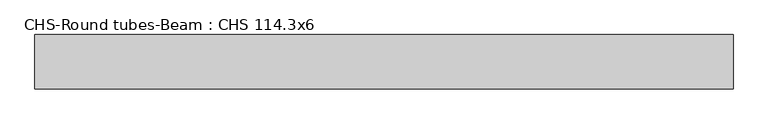
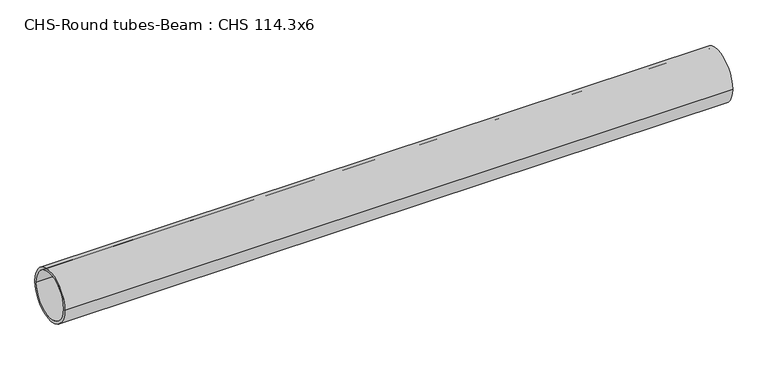
"""IFC4 building model written with IfcOpenShell, lengths in millimetres: beam geometry, CHS-Round tubes-Beam : CHS 114.3x6."""

from ifc_helpers import new_model, si_unit, point, frame, origin, origin_2d, place, context, project, spatial, circle_curve, trimmed, segment, composite_curve, outline, extrude, source, transform, mapped, element, save


def chs_round_tubes_beam_chs_114_3x6_8652dcfb(model_context):
    return source(origin(), model_context, "Body", "SweptSolid", [
        extrude(outline(composite_curve([segment(trimmed(circle_curve(origin_2d(), 57.15), [point((57.15, 0.0))], [point((-57.15, 0.0))], False, "CARTESIAN"), True, "CONTINUOUS"), segment(trimmed(circle_curve(origin_2d(), 57.15), [point((-57.15, 0.0))], [point((57.15, 0.0))], False, "CARTESIAN"), True, "CONTINUOUS")], self_intersect=False), holes=[composite_curve([segment(trimmed(circle_curve(origin_2d(), 51.15), [point((51.15, 0.0))], [point((-51.15, 0.0))], True, "CARTESIAN"), True, "CONTINUOUS"), segment(trimmed(circle_curve(origin_2d(), 51.15), [point((-51.15, 0.0))], [point((51.15, 0.0))], True, "CARTESIAN"), True, "CONTINUOUS")], self_intersect=False)]), frame((-756.8199956, 0.0, 0.0), z_axis=(1.0, 0.0, 0.0), x_axis=(0.0, 1.0, 0.0)), (0.0, 0.0, 1.0), 1472.4677983),
    ])


if __name__ == "__main__":
    model = new_model("IFC4")
    model_context = context("Model", 3, world=origin())
    ifc_project = project(units=[si_unit("LENGTHUNIT", "METRE", prefix="MILLI")], contexts=[model_context])
    site = spatial("IfcSite", under=ifc_project)
    building = spatial("IfcBuilding", under=site)
    placement = place(None, origin())
    chs_round_tubes_beam_chs_114_3x6_shape = chs_round_tubes_beam_chs_114_3x6_8652dcfb(model_context)
    element("IfcBeam", 1, ObjectType="CHS-Round tubes-Beam : CHS 114.3x6", at=placement, inside=building, context=model_context, shape_type="MappedRepresentation", body=[
        mapped(chs_round_tubes_beam_chs_114_3x6_shape, transform((0.0, 0.0, 0.0), x_axis=(1.0, 0.0, 0.0), y_axis=(0.0, 1.0, 0.0), z_axis=(0.0, 0.0, 1.0))),
    ])
    save(model, "model.ifc")
